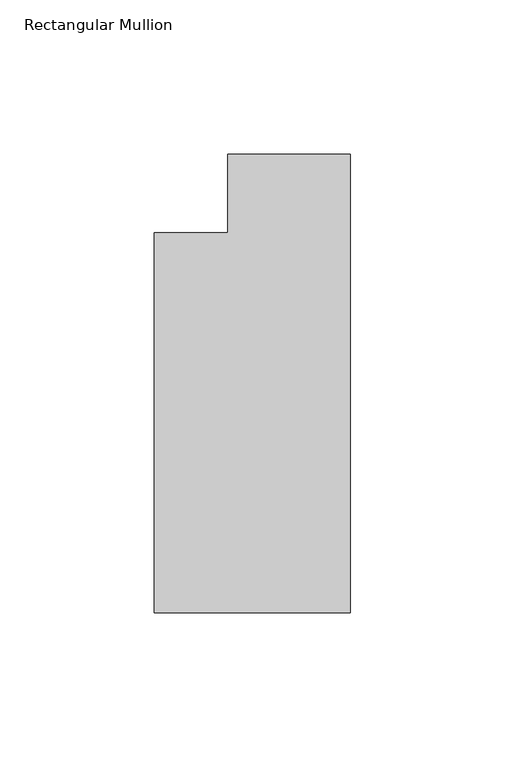
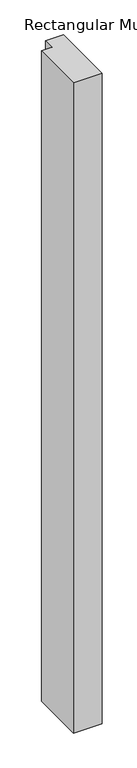
"""IFC4 building model written with IfcOpenShell, lengths in millimetres: member geometry, Rectangular Mullion."""

from ifc_helpers import new_model, si_unit, frame, origin, place, context, project, spatial, polyline, outline, extrude, source, transform, mapped, element, save


def rectangular_mullion_f32a4d16(model_context):
    return source(origin(), model_context, "Body", "SweptSolid", [
        extrude(outline(polyline([(-63.5, -135.73125), (-63.5, -12.7), (-39.6875, -12.7), (-39.6875, 12.7), (0.0, 12.7), (0.0, -135.73125), (-63.5, -135.73125)])), frame((0.0, 0.0, -1524.0), z_axis=(0.0, 0.0, 1.0), x_axis=(1.0, 0.0, 0.0)), (0.0, 0.0, 1.0), 1524.0),
    ])


if __name__ == "__main__":
    model = new_model("IFC4")
    model_context = context("Model", 3, world=origin())
    ifc_project = project(units=[si_unit("LENGTHUNIT", "METRE", prefix="MILLI")], contexts=[model_context])
    site = spatial("IfcSite", under=ifc_project)
    building = spatial("IfcBuilding", under=site)
    placement = place(None, origin())
    rectangular_mullion_shape = rectangular_mullion_f32a4d16(model_context)
    element("IfcMember", 1, ObjectType="Rectangular Mullion", at=placement, inside=building, context=model_context, shape_type="MappedRepresentation", body=[
        mapped(rectangular_mullion_shape, transform((0.0, 0.0, 0.0), x_axis=(1.0, 0.0, 0.0), y_axis=(0.0, 1.0, 0.0), z_axis=(0.0, 0.0, 1.0))),
    ])
    save(model, "model.ifc")
